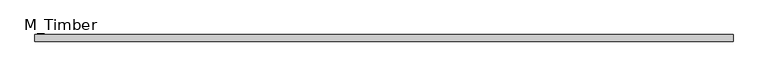
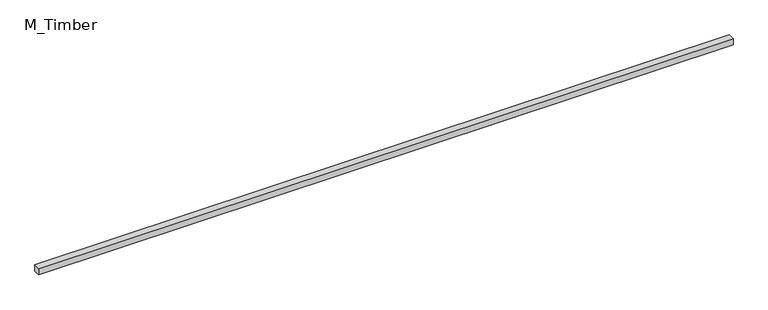
"""IFC4 building model written with IfcOpenShell, lengths in millimetres: beam geometry, M_Timber."""

from ifc_helpers import new_model, si_unit, frame, origin, place, context, project, spatial, polyline, outline, extrude, source, transform, mapped, element, save


def m_timber_92fc0d13(model_context):
    return source(origin(), model_context, "Body", "SweptSolid", [
        extrude(outline(polyline([(2104.5030136, 20.0), (2104.5030136, -20.0), (-2104.5030136, -20.0), (-2104.5030136, 20.0), (2104.5030136, 20.0)])), frame((0.0, 0.0, -20.0), z_axis=(0.0, 0.0, 1.0), x_axis=(1.0, 0.0, 0.0)), (0.0, 0.0, 1.0), 40.0),
    ])


if __name__ == "__main__":
    model = new_model("IFC4")
    model_context = context("Model", 3, world=origin())
    ifc_project = project(units=[si_unit("LENGTHUNIT", "METRE", prefix="MILLI")], contexts=[model_context])
    site = spatial("IfcSite", under=ifc_project)
    building = spatial("IfcBuilding", under=site)
    placement = place(None, origin())
    m_timber_shape = m_timber_92fc0d13(model_context)
    element("IfcBeam", 1, ObjectType="M_Timber", at=placement, inside=building, context=model_context, shape_type="MappedRepresentation", body=[
        mapped(m_timber_shape, transform((0.0, 0.0, 0.0), x_axis=(1.0, 0.0, 0.0), y_axis=(0.0, 1.0, 0.0), z_axis=(0.0, 0.0, 1.0))),
    ])
    save(model, "model.ifc")
